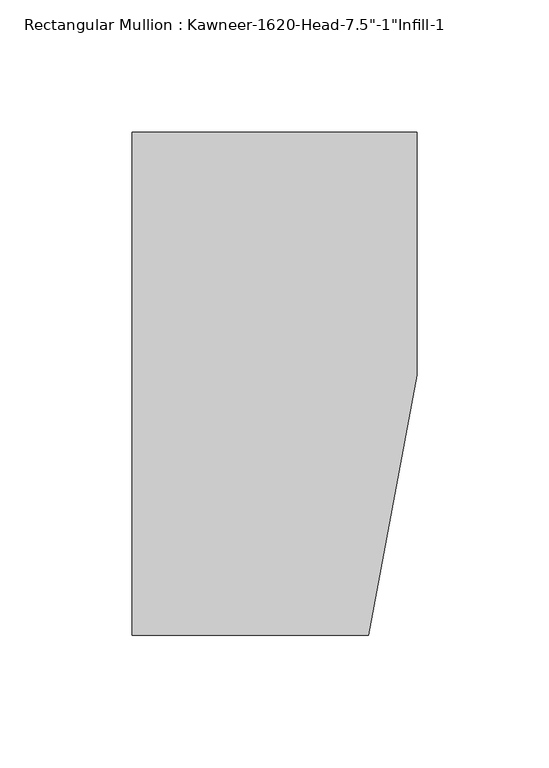
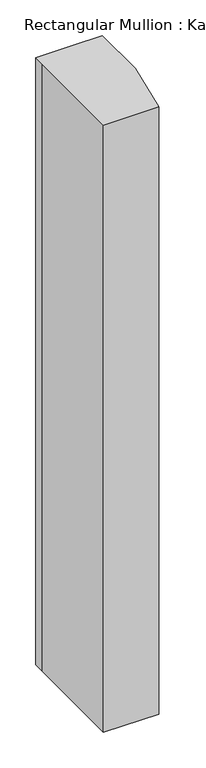
"""IFC4 building model written with IfcOpenShell, lengths in millimetres: member geometry."""

from ifc_helpers import new_model, si_unit, frame, origin, place, context, project, spatial, polyline, outline, extrude, source, transform, mapped, element, save


def member_0118b851(model_context):
    return source(origin(), model_context, "Body", "SweptSolid", [
        extrude(outline(polyline([(-107.95, 19.9095466), (-107.95, 38.1), (-44.1519366, 38.1), (0.0, 38.1), (0.0, -53.975), (-18.3538271, -152.4), (-107.95, -152.4), (-107.95, 19.9095466)])), frame((0.0, 0.0, -1040.8200334), z_axis=(0.0, 0.0, 1.0), x_axis=(1.0, 0.0, 0.0)), (0.0, 0.0, 1.0), 1040.8200334),
    ])


if __name__ == "__main__":
    model = new_model("IFC4")
    model_context = context("Model", 3, world=origin())
    ifc_project = project(units=[si_unit("LENGTHUNIT", "METRE", prefix="MILLI")], contexts=[model_context])
    site = spatial("IfcSite", under=ifc_project)
    building = spatial("IfcBuilding", under=site)
    placement = place(None, origin())
    member_shape = member_0118b851(model_context)
    element("IfcMember", 1, ObjectType="Rectangular Mullion : Kawneer-1620-Head-7.5\"-1\"Infill-1", at=placement, inside=building, context=model_context, shape_type="MappedRepresentation", body=[
        mapped(member_shape, transform((0.0, 0.0, 0.0), x_axis=(1.0, 0.0, 0.0), y_axis=(0.0, 1.0, 0.0), z_axis=(0.0, 0.0, 1.0))),
    ])
    save(model, "model.ifc")
